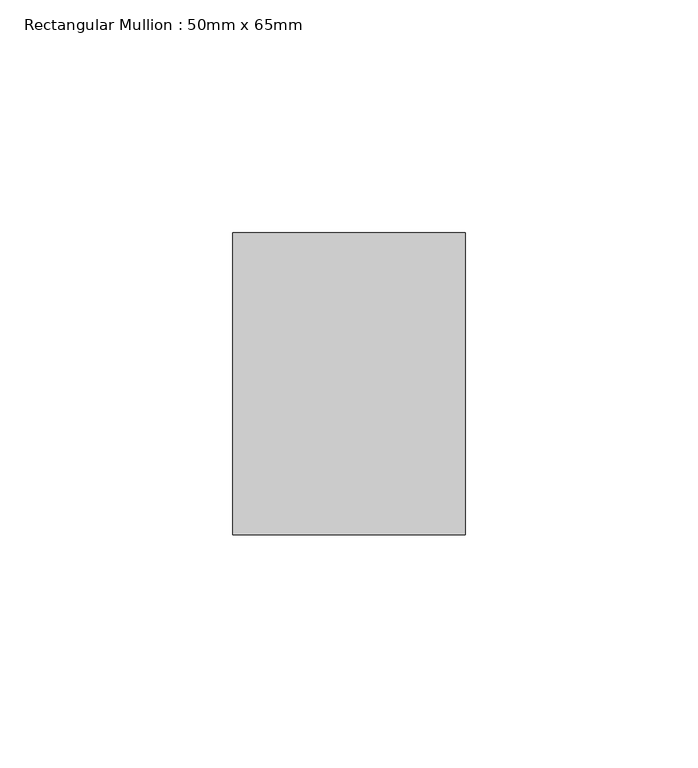
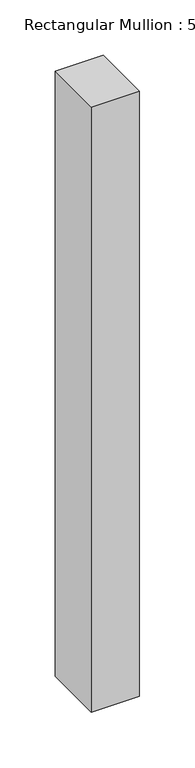
"""IFC4 building model written with IfcOpenShell, lengths in millimetres: member geometry, Rectangular Mullion : 50mm x 65mm."""

from ifc_helpers import new_model, si_unit, frame, origin, place, context, project, spatial, polyline, outline, extrude, source, transform, mapped, element, save


def rectangular_mullion_50mm_x_65mm_d5a4a553(model_context):
    return source(origin(), model_context, "Body", "SweptSolid", [
        extrude(outline(polyline([(25.0, 32.5), (25.0, -32.5), (-25.0, -32.5), (-25.0, 32.5), (25.0, 32.5)])), frame((0.0, 0.0, -667.5405369), z_axis=(0.0, 0.0, 1.0), x_axis=(1.0, 0.0, 0.0)), (0.0, 0.0, 1.0), 667.5405369),
    ])


if __name__ == "__main__":
    model = new_model("IFC4")
    model_context = context("Model", 3, world=origin())
    ifc_project = project(units=[si_unit("LENGTHUNIT", "METRE", prefix="MILLI")], contexts=[model_context])
    site = spatial("IfcSite", under=ifc_project)
    building = spatial("IfcBuilding", under=site)
    placement = place(None, origin())
    rectangular_mullion_50mm_x_65mm_shape = rectangular_mullion_50mm_x_65mm_d5a4a553(model_context)
    element("IfcMember", 1, ObjectType="Rectangular Mullion : 50mm x 65mm", at=placement, inside=building, context=model_context, shape_type="MappedRepresentation", body=[
        mapped(rectangular_mullion_50mm_x_65mm_shape, transform((0.0, 0.0, 0.0), x_axis=(1.0, 0.0, 0.0), y_axis=(0.0, 1.0, 0.0), z_axis=(0.0, 0.0, 1.0))),
    ])
    save(model, "model.ifc")
